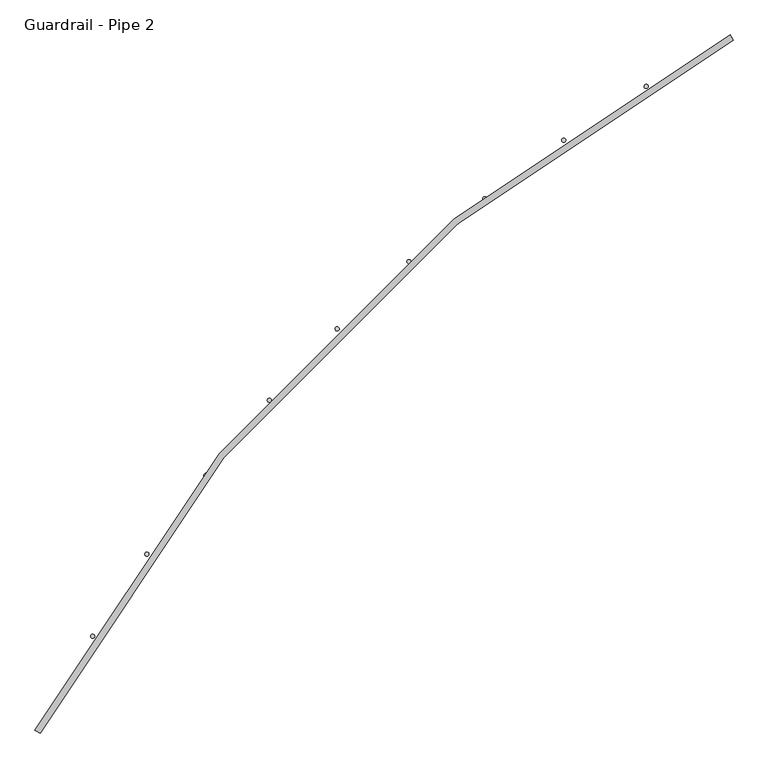
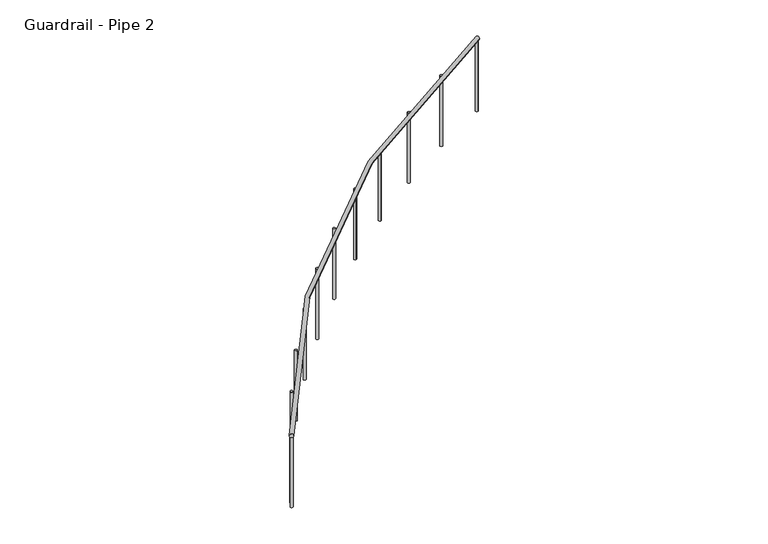
"""IFC4 building model written with IfcOpenShell, lengths in millimetres: railing geometry, Guardrail - Pipe 2."""

from ifc_helpers import new_model, si_unit, point, frame, frame_2d, origin, place, context, project, spatial, circle_curve, ellipse_curve, trimmed, segment, composite_curve, outline, extrude, source, transform, mapped, element, save
from ifc_brep_helpers import plane_surface, revolved_surface, advanced_brep


def guardrail_pipe_2_b02425ed(model_context):
    return source(origin(), model_context, "Body", "SolidModel", [
        advanced_brep(
        [(489724.58135, -255048.1844929, 5010.15), (494031.0019382, -250741.7639047, 5010.15), (494048.93135, -250775.3815518, 5010.15), (489758.198997, -255066.1139047, 5010.15)],
        [
            (0, 1, circle_curve(frame((498952.6254676, -259969.8080223, 5010.15), z_axis=(0.0, 0.0, -1.0), x_axis=(-0.47058823529376886, 0.8823529411766566, 0.0)), 10458.45)),
            (1, 2, circle_curve(frame((494039.9666441, -250758.5727282, 5010.15), z_axis=(-0.8823529411766543, -0.47058823529377325, 0.0), x_axis=(0.47058823529377325, -0.8823529411766543, 0.0)), 19.05)),
            (2, 3, circle_curve(frame((498952.6254676, -259969.8080223, 5010.15), z_axis=(0.0, 0.0, 1.0), x_axis=(-0.47058823529376886, 0.8823529411766566, 0.0)), 10420.35)),
            (3, 0, circle_curve(frame((489741.3901735, -255057.1491988, 5010.15), z_axis=(0.4705882352938063, 0.8823529411766367, 0.0), x_axis=(0.8823529411766367, -0.4705882352938063, 0.0)), 19.05)),
            (2, 1, circle_curve(frame((494039.9666441, -250758.5727282, 5010.15), z_axis=(-0.8823529411766543, -0.47058823529377325, 0.0), x_axis=(0.47058823529377325, -0.8823529411766543, 0.0)), 19.05)),
            (0, 3, circle_curve(frame((489741.3901735, -255057.1491988, 5010.15), z_axis=(0.47058823529381205, 0.8823529411766337, 0.0), x_axis=(0.8823529411766337, -0.47058823529381205, 0.0)), 19.05)),
        ],
        [
            revolved_surface(trimmed(ellipse_curve(frame((494039.9666441, -250758.5727282, 5010.15), z_axis=(0.8823529411766566, 0.47058823529376886, 0.0), x_axis=(0.47058823529376886, -0.8823529411766566, 0.0)), 19.05, 19.05), [point((494048.93135, -250775.3815518, 5010.15))], [point((494031.0019382, -250741.7639047, 5010.15))], True, "CARTESIAN"), (498952.6254676, -259969.8080223, 5029.2), (0.0, 0.0, 1.0)),
            revolved_surface(trimmed(ellipse_curve(frame((494039.9666441, -250758.5727282, 5010.15), z_axis=(0.8823529411766566, 0.47058823529376886, 0.0), x_axis=(0.47058823529376886, -0.8823529411766566, 0.0)), 19.05, 19.05), [point((494031.0019382, -250741.7639047, 5010.15))], [point((494048.93135, -250775.3815518, 5010.15))], True, "CARTESIAN"), (498952.6254676, -259969.8080223, 5029.2), (0.0, 0.0, 1.0)),
            plane_surface(frame((494039.9666441, -250758.5727282, 5029.2), z_axis=(0.8823529411766566, 0.47058823529376886, 0.0), x_axis=(0.47058823529376886, -0.8823529411766566, 0.0))),
            plane_surface(frame((489741.3901735, -255057.1491988, 5029.2), z_axis=(-0.47058823529381943, -0.8823529411766297, 0.0), x_axis=(0.8823529411766297, -0.47058823529381943, 0.0))),
        ],
        [
            (0, [[1, 2, 3, 4]]),
            (1, [[-3, 5, -1, 6]]),
            (2, [[-5, -2]]),
            (3, [[-4, -6]]),
        ],
    ),
        extrude(outline(composite_curve([segment(trimmed(circle_curve(frame_2d((489775.7059149, -254993.3414161)), 12.7), [point((489764.5417792, -254987.2873204))], [point((489786.8700506, -254999.3955117))], False, "CARTESIAN"), True, "CONTINUOUS"), segment(trimmed(circle_curve(frame_2d((489775.7059149, -254993.3414161)), 12.7), [point((489786.8700506, -254999.3955117))], [point((489764.5417792, -254987.2873204))], False, "CARTESIAN"), True, "CONTINUOUS")], self_intersect=False)), frame((0.0, 0.0, 4267.2), z_axis=(0.0, 0.0, 1.0), x_axis=(1.0, 0.0, 0.0)), (0.0, 0.0, 1.0), 723.9),
        extrude(outline(composite_curve([segment(trimmed(circle_curve(frame_2d((490081.779026, -254466.2495582)), 12.7), [point((490070.987242, -254459.5542316))], [point((490092.57081, -254472.9448848))], False, "CARTESIAN"), True, "CONTINUOUS"), segment(trimmed(circle_curve(frame_2d((490081.779026, -254466.2495582)), 12.7), [point((490092.57081, -254472.9448848))], [point((490070.987242, -254459.5542316))], False, "CARTESIAN"), True, "CONTINUOUS")], self_intersect=False)), frame((0.0, 0.0, 4267.2), z_axis=(0.0, 0.0, 1.0), x_axis=(1.0, 0.0, 0.0)), (0.0, 0.0, 1.0), 723.9),
        extrude(outline(composite_curve([segment(trimmed(circle_curve(frame_2d((490418.0920467, -253957.9188311)), 12.7), [point((490407.7094027, -253950.6050973))], [point((490428.4746908, -253965.2325649))], False, "CARTESIAN"), True, "CONTINUOUS"), segment(trimmed(circle_curve(frame_2d((490418.0920467, -253957.9188311)), 12.7), [point((490428.4746908, -253965.2325649))], [point((490407.7094027, -253950.6050973))], False, "CARTESIAN"), True, "CONTINUOUS")], self_intersect=False)), frame((0.0, 0.0, 4267.2), z_axis=(0.0, 0.0, 1.0), x_axis=(1.0, 0.0, 0.0)), (0.0, 0.0, 1.0), 723.9),
        extrude(outline(composite_curve([segment(trimmed(circle_curve(frame_2d((490783.4985166, -253470.0820882)), 12.7), [point((490773.560406, -253462.174879))], [point((490793.4366273, -253477.9892974))], False, "CARTESIAN"), True, "CONTINUOUS"), segment(trimmed(circle_curve(frame_2d((490783.4985166, -253470.0820882)), 12.7), [point((490793.4366273, -253477.9892974))], [point((490773.560406, -253462.174879))], False, "CARTESIAN"), True, "CONTINUOUS")], self_intersect=False)), frame((0.0, 0.0, 4267.2), z_axis=(0.0, 0.0, 1.0), x_axis=(1.0, 0.0, 0.0)), (0.0, 0.0, 1.0), 723.9),
        extrude(outline(composite_curve([segment(trimmed(circle_curve(frame_2d((491176.7527983, -253004.4023206)), 12.7), [point((491167.2930992, -252995.928591))], [point((491186.2124974, -253012.8760501))], False, "CARTESIAN"), True, "CONTINUOUS"), segment(trimmed(circle_curve(frame_2d((491176.7527983, -253004.4023206)), 12.7), [point((491186.2124974, -253012.8760501))], [point((491167.2930992, -252995.928591))], False, "CARTESIAN"), True, "CONTINUOUS")], self_intersect=False)), frame((0.0, 0.0, 4267.2), z_axis=(0.0, 0.0, 1.0), x_axis=(1.0, 0.0, 0.0)), (0.0, 0.0, 1.0), 723.9),
        extrude(outline(composite_curve([segment(trimmed(circle_curve(frame_2d((491596.5143235, -252562.4669883)), 12.7), [point((491587.5652832, -252553.4556245))], [point((491605.4633638, -252571.4783521))], False, "CARTESIAN"), True, "CONTINUOUS"), segment(trimmed(circle_curve(frame_2d((491596.5143235, -252562.4669883)), 12.7), [point((491605.4633638, -252571.4783521))], [point((491587.5652832, -252553.4556245))], False, "CARTESIAN"), True, "CONTINUOUS")], self_intersect=False)), frame((0.0, 0.0, 4267.2), z_axis=(0.0, 0.0, 1.0), x_axis=(1.0, 0.0, 0.0)), (0.0, 0.0, 1.0), 723.9),
        extrude(outline(composite_curve([segment(trimmed(circle_curve(frame_2d((492041.3521634, -252145.7826087)), 12.7), [point((492032.9442883, -252136.2643296))], [point((492049.7600384, -252155.3008878))], False, "CARTESIAN"), True, "CONTINUOUS"), segment(trimmed(circle_curve(frame_2d((492041.3521634, -252145.7826087)), 12.7), [point((492049.7600384, -252155.3008878))], [point((492032.9442883, -252136.2643296))], False, "CARTESIAN"), True, "CONTINUOUS")], self_intersect=False)), frame((0.0, 0.0, 4267.2), z_axis=(0.0, 0.0, 1.0), x_axis=(1.0, 0.0, 0.0)), (0.0, 0.0, 1.0), 723.9),
        extrude(outline(composite_curve([segment(trimmed(circle_curve(frame_2d((492509.7499061, -251755.769621)), 12.7), [point((492501.911858, -251745.7768735))], [point((492517.5879543, -251765.7623684))], False, "CARTESIAN"), True, "CONTINUOUS"), segment(trimmed(circle_curve(frame_2d((492509.7499061, -251755.769621)), 12.7), [point((492517.5879543, -251765.7623684))], [point((492501.911858, -251745.7768735))], False, "CARTESIAN"), True, "CONTINUOUS")], self_intersect=False)), frame((0.0, 0.0, 4267.2), z_axis=(0.0, 0.0, 1.0), x_axis=(1.0, 0.0, 0.0)), (0.0, 0.0, 1.0), 723.9),
        extrude(outline(composite_curve([segment(trimmed(circle_curve(frame_2d((493000.1108264, -251393.757544)), 12.7), [point((492992.8693244, -251383.3243926))], [point((493007.3523284, -251404.1906955))], False, "CARTESIAN"), True, "CONTINUOUS"), segment(trimmed(circle_curve(frame_2d((493000.1108264, -251393.757544)), 12.7), [point((493007.3523284, -251404.1906955))], [point((492992.8693244, -251383.3243926))], False, "CARTESIAN"), True, "CONTINUOUS")], self_intersect=False)), frame((0.0, 0.0, 4267.2), z_axis=(0.0, 0.0, 1.0), x_axis=(1.0, 0.0, 0.0)), (0.0, 0.0, 1.0), 723.9),
        extrude(outline(composite_curve([segment(trimmed(circle_curve(frame_2d((493510.7633284, -251060.9804442)), 12.7), [point((493504.1430582, -251050.1424544))], [point((493517.3835986, -251071.8184339))], False, "CARTESIAN"), True, "CONTINUOUS"), segment(trimmed(circle_curve(frame_2d((493510.7633284, -251060.9804442)), 12.7), [point((493517.3835986, -251071.8184339))], [point((493504.1430582, -251050.1424544))], False, "CARTESIAN"), True, "CONTINUOUS")], self_intersect=False)), frame((0.0, 0.0, 4267.2), z_axis=(0.0, 0.0, 1.0), x_axis=(1.0, 0.0, 0.0)), (0.0, 0.0, 1.0), 723.9),
        extrude(outline(composite_curve([segment(trimmed(circle_curve(frame_2d((489747.3734588, -255045.9469546)), 12.7), [point((489736.1748554, -255039.9568559))], [point((489758.5720623, -255051.9370532))], False, "CARTESIAN"), True, "CONTINUOUS"), segment(trimmed(circle_curve(frame_2d((489747.3734588, -255045.9469546)), 12.7), [point((489758.5720623, -255051.9370532))], [point((489736.1748554, -255039.9568559))], False, "CARTESIAN"), True, "CONTINUOUS")], self_intersect=False)), frame((0.0, 0.0, 4267.2), z_axis=(0.0, 0.0, 1.0), x_axis=(1.0, 0.0, 0.0)), (0.0, 0.0, 1.0), 723.9),
        extrude(outline(composite_curve([segment(trimmed(circle_curve(frame_2d((494028.7643998, -250764.5560136)), 12.7), [point((494022.7743012, -250753.3574102))], [point((494034.7544984, -250775.754617))], False, "CARTESIAN"), True, "CONTINUOUS"), segment(trimmed(circle_curve(frame_2d((494028.7643998, -250764.5560136)), 12.7), [point((494034.7544984, -250775.754617))], [point((494022.7743012, -250753.3574102))], False, "CARTESIAN"), True, "CONTINUOUS")], self_intersect=False)), frame((0.0, 0.0, 4267.2), z_axis=(0.0, 0.0, 1.0), x_axis=(1.0, 0.0, 0.0)), (0.0, 0.0, 1.0), 723.9),
    ])


if __name__ == "__main__":
    model = new_model("IFC4")
    model_context = context("Model", 3, world=origin())
    ifc_project = project(units=[si_unit("LENGTHUNIT", "METRE", prefix="MILLI")], contexts=[model_context])
    site = spatial("IfcSite", under=ifc_project)
    building = spatial("IfcBuilding", under=site)
    placement = place(None, origin())
    guardrail_pipe_2_shape = guardrail_pipe_2_b02425ed(model_context)
    element("IfcRailing", 1, ObjectType="Guardrail - Pipe 2", at=placement, inside=building, context=model_context, shape_type="MappedRepresentation", body=[
        mapped(guardrail_pipe_2_shape, transform((0.0, 0.0, 0.0), x_axis=(1.0, 0.0, 0.0), y_axis=(0.0, 1.0, 0.0), z_axis=(0.0, 0.0, 1.0))),
    ])
    save(model, "model.ifc")
